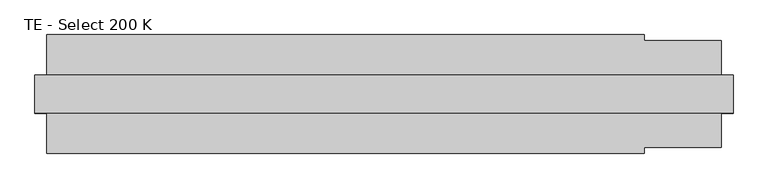
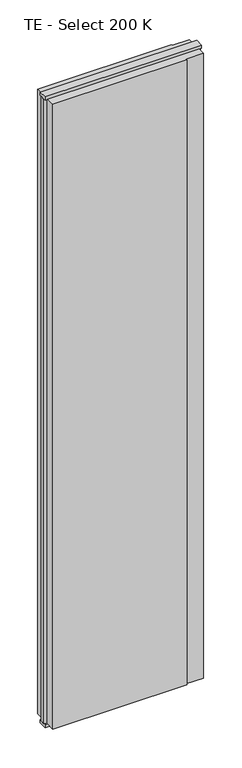
"""IFC4 building model written with IfcOpenShell, lengths in millimetres: plate geometry, TE - Select 200 K."""

from ifc_helpers import new_model, si_unit, frame, origin, origin_with_axes, place, context, project, spatial, polyline, outline, extrude, source, transform, mapped, element, save


def te_select_200_k_856c3f1e(model_context):
    return source(origin(), model_context, "Body", "SweptSolid", [
        extrude(outline(polyline([(438.0, 100.0), (438.0, 90.0), (568.0, 90.0), (568.0, 22.9993165), (588.0, 17.6401049), (588.0, -17.6401049), (568.0, -22.9993165), (568.0, -90.0), (438.0, -90.0), (438.0, -100.0), (-568.0, -100.0), (-568.0, -22.9993165), (-588.0, -17.6401049), (-588.0, 17.6401049), (-568.0, 22.9993165), (-568.0, 100.0), (438.0, 100.0)])), frame((0.0, 0.0, 25.0), z_axis=(0.0, 0.0, 1.0), x_axis=(1.0, 0.0, 0.0)), (0.0, 0.0, 1.0), 4950.0),
        extrude(outline(polyline([(588.0, 32.0), (588.0, -32.0), (-588.0, -32.0), (-588.0, 32.0), (588.0, 32.0)])), origin_with_axes(), (0.0, 0.0, 1.0), 25.0),
        extrude(outline(polyline([(588.0, 32.0), (588.0, -32.0), (-588.0, -32.0), (-588.0, 32.0), (588.0, 32.0)])), frame((0.0, 0.0, 4975.0), z_axis=(0.0, 0.0, 1.0), x_axis=(1.0, 0.0, 0.0)), (0.0, 0.0, 1.0), 25.0),
    ])


if __name__ == "__main__":
    model = new_model("IFC4")
    model_context = context("Model", 3, world=origin())
    ifc_project = project(units=[si_unit("LENGTHUNIT", "METRE", prefix="MILLI")], contexts=[model_context])
    site = spatial("IfcSite", under=ifc_project)
    building = spatial("IfcBuilding", under=site)
    placement = place(None, origin())
    te_select_200_k_shape = te_select_200_k_856c3f1e(model_context)
    element("IfcPlate", 1, ObjectType="TE - Select 200 K", at=placement, inside=building, context=model_context, shape_type="MappedRepresentation", body=[
        mapped(te_select_200_k_shape, transform((0.0, 0.0, 0.0), x_axis=(1.0, 0.0, 0.0), y_axis=(0.0, 1.0, 0.0), z_axis=(0.0, 0.0, 1.0))),
    ])
    save(model, "model.ifc")
